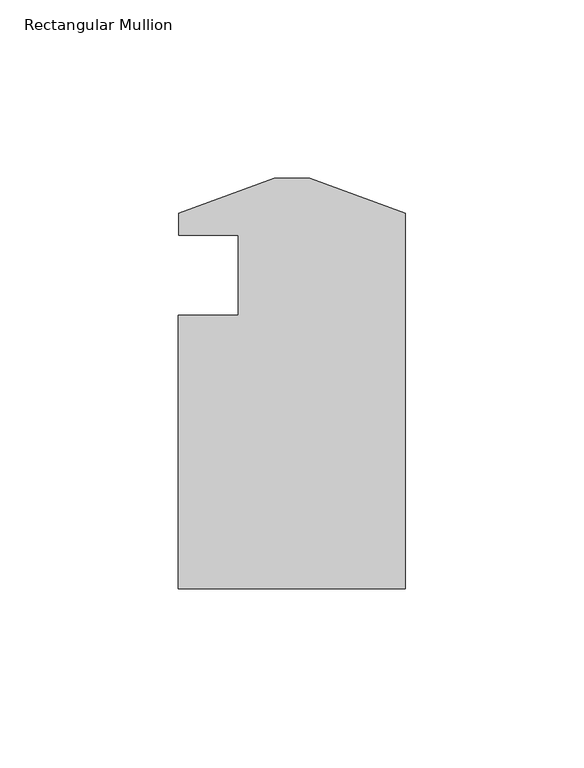
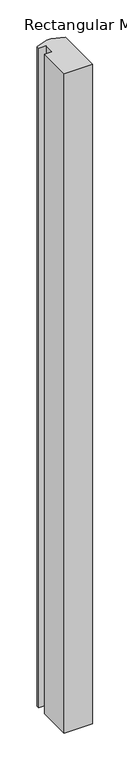
"""IFC4 building model written with IfcOpenShell, lengths in millimetres: member geometry, Rectangular Mullion."""

from ifc_helpers import new_model, si_unit, frame, origin, place, context, project, spatial, polyline, outline, extrude, source, transform, mapped, element, save


def rectangular_mullion_c7307042(model_context):
    return source(origin(), model_context, "Body", "SweptSolid", [
        extrude(outline(polyline([(0.0, -114.5309812), (-63.5, -114.5309813), (-63.5, -38.0007813), (-46.8122, -38.0007813), (-46.8122, -15.5217813), (-63.4796279, -15.5217812), (-63.4499958, -9.4257813), (-36.6522, 0.3278187), (-26.7977958, 0.3278187), (0.0, -9.4257813), (0.0, -114.5309812)])), frame((0.0, 0.0, -1570.036738), z_axis=(0.0, 0.0, 1.0), x_axis=(1.0, 0.0, 0.0)), (0.0, 0.0, 1.0), 1570.036738),
    ])


if __name__ == "__main__":
    model = new_model("IFC4")
    model_context = context("Model", 3, world=origin())
    ifc_project = project(units=[si_unit("LENGTHUNIT", "METRE", prefix="MILLI")], contexts=[model_context])
    site = spatial("IfcSite", under=ifc_project)
    building = spatial("IfcBuilding", under=site)
    placement = place(None, origin())
    rectangular_mullion_shape = rectangular_mullion_c7307042(model_context)
    element("IfcMember", 1, ObjectType="Rectangular Mullion", at=placement, inside=building, context=model_context, shape_type="MappedRepresentation", body=[
        mapped(rectangular_mullion_shape, transform((0.0, 0.0, 0.0), x_axis=(1.0, 0.0, 0.0), y_axis=(0.0, 1.0, 0.0), z_axis=(0.0, 0.0, 1.0))),
    ])
    save(model, "model.ifc")
